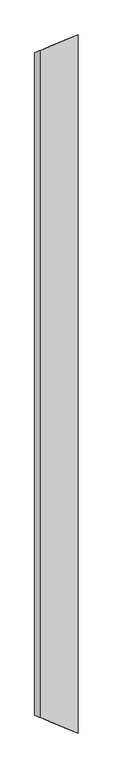
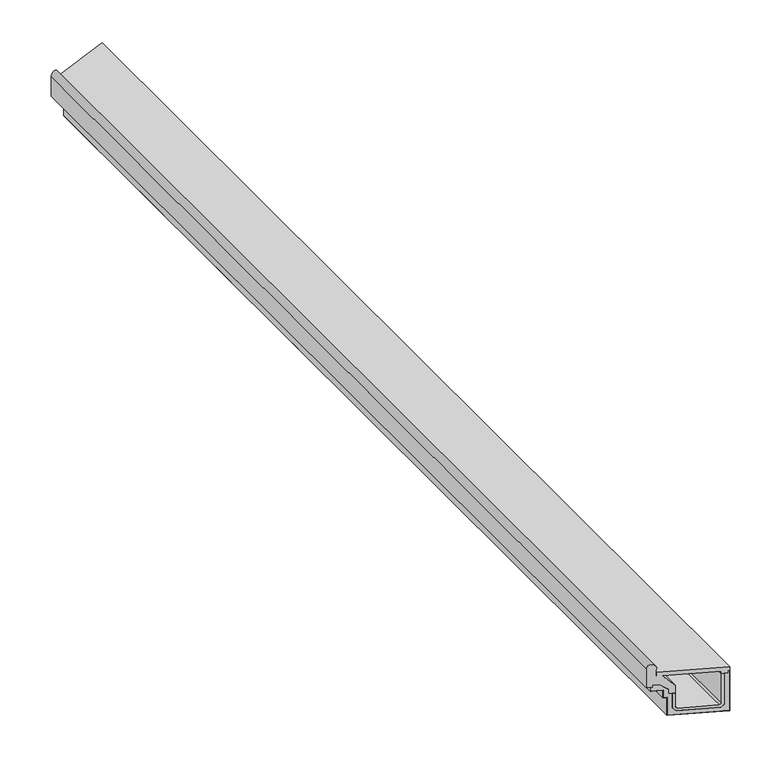
"""IFC4 building model written with IfcOpenShell, lengths in millimetres: proxy geometry."""

from ifc_helpers import new_model, si_unit, frame, origin, place, context, project, spatial, ellipse_curve, faceted_brep, source, transform, mapped, element, save
from ifc_brep_helpers import plane_surface, cylinder_surface, advanced_brep


def generic_models_5bdddf98(model_context):
    return source(origin(), model_context, "Body", "SolidModel", [
        faceted_brep([(100.0, 2491.3903704, 35.6610034), (100.0, -2491.3903704, 35.6610034), (100.0, -2491.3903704, 108.8368406), (100.0, 2491.3903704, 108.8368406), (112.0, -2496.3609332, 108.8368406), (112.0, 2496.3609332, 108.8368406), (112.0, -2496.3609332, 40.6315661), (112.0, 2496.3609332, 40.6315661), (119.6315661, -2499.5220314, 33.0), (119.6315661, 2499.5220314, 33.0), (280.3684339, -2566.101422, 33.0), (280.3684339, 2566.101422, 33.0), (288.0, -2569.2625202, 40.6315661), (288.0, 2569.2625202, 40.6315661), (288.0, -2569.2625202, 189.0), (288.0, 2569.2625202, 189.0), (300.0, -2574.2330829, 189.0), (300.0, 2574.2330829, 189.0), (300.0, -2574.2330829, 35.6610034), (300.0, 2574.2330829, 35.6610034), (285.3389966, -2568.1602965, 21.0), (285.3389966, 2568.1602965, 21.0), (114.6610034, -2497.4631569, 21.0), (114.6610034, 2497.4631569, 21.0)], [[[0, 1, 2, 3]], [[3, 2, 4, 5]], [[5, 4, 6, 7]], [[7, 6, 8, 9]], [[9, 8, 10, 11]], [[11, 10, 12, 13]], [[13, 12, 14, 15]], [[15, 14, 16, 17]], [[17, 16, 18, 19]], [[19, 18, 20, 21]], [[21, 20, 22, 23]], [[1, 0, 23, 22]], [[0, 3, 5, 7, 9, 11, 13, 15, 17, 19, 21, 23]], [[2, 1, 22, 20, 18, 16, 14, 12, 10, 8, 6, 4]]]),
        faceted_brep([(320.0, 2582.5173541, 201.0), (321.0, 2582.9315677, 201.0), (321.0, 2582.9315677, 0.0), (79.0, 2482.6918856, 0.0), (79.0, 2482.6918856, 89.8368406), (64.0, 2476.4786822, 89.8368406), (64.0, 2476.4786822, 127.0), (20.0, 2458.2532854, 127.0), (20.0, 2458.2532854, 128.0), (65.0, 2476.8928957, 128.0), (65.0, 2476.8928957, 90.8368406), (80.0, 2483.1060992, 90.8368406), (80.0, 2483.1060992, 1.0), (320.0, 2582.5173541, 1.0), (321.0, -2582.9315677, 201.0), (320.0, -2582.5173541, 201.0), (320.0, -2582.5173541, 1.0), (80.0, -2483.1060992, 1.0), (80.0, -2483.1060992, 90.8368406), (65.0, -2476.8928957, 90.8368406), (65.0, -2476.8928957, 128.0), (20.0, -2458.2532854, 128.0), (20.0, -2458.2532854, 127.0), (64.0, -2476.4786822, 127.0), (64.0, -2476.4786822, 89.8368406), (79.0, -2482.6918856, 89.8368406), (79.0, -2482.6918856, 0.0), (321.0, -2582.9315677, 0.0)], [[[0, 1, 2, 3, 4, 5, 6, 7, 8, 9, 10, 11, 12, 13]], [[14, 15, 16, 17, 18, 19, 20, 21, 22, 23, 24, 25, 26, 27]], [[14, 1, 0, 15]], [[1, 14, 27, 2]], [[2, 27, 26, 3]], [[3, 26, 25, 4]], [[4, 25, 24, 5]], [[5, 24, 23, 6]], [[6, 23, 22, 7]], [[7, 22, 21, 8]], [[8, 21, 20, 9]], [[9, 20, 19, 10]], [[10, 19, 18, 11]], [[11, 18, 17, 12]], [[12, 17, 16, 13]], [[15, 0, 13, 16]]]),
        faceted_brep([(285.3389966, 2568.1602965, 21.0), (300.0, 2574.2330829, 35.6610034), (300.0, 2574.2330829, 189.0), (315.0, 2580.4462863, 189.0), (315.0, 2580.4462863, 201.0), (320.0, 2582.5173541, 201.0), (320.0, 2582.5173541, 1.0), (80.0, 2483.1060992, 1.0), (80.0, 2483.1060992, 90.8368406), (65.0, 2476.8928957, 90.8368406), (65.0, 2476.8928957, 128.0), (20.0, 2458.2532854, 128.0), (20.0, 2458.2532854, 127.0), (15.0, 2456.1822176, 127.0), (15.0, 2456.1822176, 146.0), (25.5239009, 2460.5413601, 146.0), (25.5239009, 2460.5413601, 156.0), (50.4946801, 2470.8845955, 156.0), (85.0, 2485.177167, 132.3375819), (85.0, 2485.177167, 108.8368406), (100.0, 2491.3903704, 108.8368406), (100.0, 2491.3903704, 35.6610034), (114.6610034, 2497.4631569, 21.0), (300.0, -2574.2330829, 35.6610034), (285.3389966, -2568.1602965, 21.0), (114.6610034, -2497.4631569, 21.0), (100.0, -2491.3903704, 35.6610034), (100.0, -2491.3903704, 108.8368406), (85.0, -2485.177167, 108.8368406), (85.0, -2485.177167, 132.3375819), (50.4946801, -2470.8845955, 156.0), (25.5239009, -2460.5413601, 156.0), (25.5239009, -2460.5413601, 146.0), (15.0, -2456.1822176, 146.0), (15.0, -2456.1822176, 127.0), (20.0, -2458.2532854, 127.0), (20.0, -2458.2532854, 128.0), (65.0, -2476.8928957, 128.0), (65.0, -2476.8928957, 90.8368406), (80.0, -2483.1060992, 90.8368406), (80.0, -2483.1060992, 1.0), (320.0, -2582.5173541, 1.0), (320.0, -2582.5173541, 201.0), (315.0, -2580.4462863, 201.0), (315.0, -2580.4462863, 189.0), (300.0, -2574.2330829, 189.0)], [[[0, 1, 2, 3, 4, 5, 6, 7, 8, 9, 10, 11, 12, 13, 14, 15, 16, 17, 18, 19, 20, 21, 22]], [[23, 24, 25, 26, 27, 28, 29, 30, 31, 32, 33, 34, 35, 36, 37, 38, 39, 40, 41, 42, 43, 44, 45]], [[0, 24, 23, 1]], [[1, 23, 45, 2]], [[2, 45, 44, 3]], [[3, 44, 43, 4]], [[4, 43, 42, 5]], [[5, 42, 41, 6]], [[6, 41, 40, 7]], [[7, 40, 39, 8]], [[8, 39, 38, 9]], [[9, 38, 37, 10]], [[10, 37, 36, 11]], [[13, 34, 33, 14]], [[14, 33, 32, 15]], [[15, 32, 31, 16]], [[16, 31, 30, 17]], [[17, 30, 29, 18]], [[18, 29, 28, 19]], [[19, 28, 27, 20]], [[20, 27, 26, 21]], [[21, 26, 25, 22]], [[11, 36, 35, 12]], [[34, 13, 12, 35]], [[24, 0, 22, 25]]]),
        advanced_brep(
        [(0.0, 2449.9690142, 242.9090321), (19.9086814, 2458.2154601, 261.0), (35.9968134, 2464.8793825, 229.1184171), (35.9968134, 2464.8793825, 201.0), (40.9968134, 2466.9504503, 201.0), (40.9968134, 2466.9504503, 221.0), (321.0, 2582.9315677, 221.0), (321.0, 2582.9315677, 201.0), (315.0, 2580.4462863, 201.0), (315.0, 2580.4462863, 189.0), (288.0, 2569.2625202, 189.0), (288.0, 2569.2625202, 201.0), (60.9968134, 2475.2347215, 201.0), (112.0, 2496.3609332, 148.3590719), (112.0, 2496.3609332, 108.8368406), (85.0, 2485.177167, 108.8368406), (85.0, 2485.177167, 132.3375819), (50.4946801, 2470.8845955, 156.0), (25.5239009, 2460.5413601, 156.0), (25.5239009, 2460.5413601, 146.0), (0.0, 2449.9690142, 146.0), (19.9086814, -2458.2154601, 261.0), (0.0, -2449.9690142, 242.9090321), (0.0, -2449.9690142, 146.0), (25.5239009, -2460.5413601, 146.0), (25.5239009, -2460.5413601, 156.0), (50.4946801, -2470.8845955, 156.0), (85.0, -2485.177167, 132.3375819), (85.0, -2485.177167, 108.8368406), (112.0, -2496.3609332, 108.8368406), (112.0, -2496.3609332, 148.3590719), (60.9968134, -2475.2347215, 201.0), (288.0, -2569.2625202, 201.0), (288.0, -2569.2625202, 189.0), (315.0, -2580.4462863, 189.0), (315.0, -2580.4462863, 201.0), (321.0, -2582.9315677, 201.0), (321.0, -2582.9315677, 221.0), (40.9968134, -2466.9504503, 221.0), (40.9968134, -2466.9504503, 201.0), (35.9968134, -2464.8793825, 201.0), (35.9968134, -2464.8793825, 229.1184171)],
        [
            (0, 1, ellipse_curve(frame((19.9086814, 2458.2154601, 241.0), z_axis=(-0.3826834323650891, 0.9238795325112871, 0.0), x_axis=(0.9238795325112873, 0.38268343236508884, 0.0)), 21.647844, 20.0)),
            (1, 2, ellipse_curve(frame((19.9086814, 2458.2154601, 241.0), z_axis=(-0.3826834323650891, 0.9238795325112871, 0.0), x_axis=(0.9238795325112873, 0.38268343236508884, 0.0)), 21.647844, 20.0)),
            (2, 3),
            (3, 4),
            (4, 5),
            (5, 6),
            (6, 7),
            (7, 8),
            (8, 9),
            (9, 10),
            (10, 11),
            (11, 12),
            (12, 13),
            (13, 14),
            (14, 15),
            (15, 16),
            (16, 17),
            (17, 18),
            (18, 19),
            (19, 20),
            (20, 0),
            (21, 22, ellipse_curve(frame((19.9086814, -2458.2154601, 241.0), z_axis=(-0.3826834323650891, -0.9238795325112871, 0.0), x_axis=(-0.9238795325112873, 0.38268343236508884, 0.0)), 21.647844, 20.0)),
            (22, 23),
            (23, 24),
            (24, 25),
            (25, 26),
            (26, 27),
            (27, 28),
            (28, 29),
            (29, 30),
            (30, 31),
            (31, 32),
            (32, 33),
            (33, 34),
            (34, 35),
            (35, 36),
            (36, 37),
            (37, 38),
            (38, 39),
            (39, 40),
            (40, 41),
            (41, 21, ellipse_curve(frame((19.9086814, -2458.2154601, 241.0), z_axis=(-0.3826834323650891, -0.9238795325112871, 0.0), x_axis=(-0.9238795325112873, 0.38268343236508884, 0.0)), 21.647844, 20.0)),
            (0, 22),
            (41, 2),
            (40, 3),
            (37, 6),
            (5, 38),
            (7, 36),
            (35, 8),
            (34, 9),
            (33, 10),
            (28, 15),
            (14, 29),
            (27, 16),
            (26, 17),
            (25, 18),
            (24, 19),
            (23, 20),
            (39, 4),
            (13, 30),
            (32, 11),
            (31, 12),
        ],
        [
            plane_surface(frame((0.0, 2449.9690142, 261.0), z_axis=(-0.3826834323650891, 0.9238795325112871, 0.0), x_axis=(0.0, 0.0, -1.0))),
            plane_surface(frame((321.0, -2582.9315677, 261.0), z_axis=(-0.3826834323650891, -0.9238795325112871, 0.0), x_axis=(0.0, 0.0, -1.0))),
            cylinder_surface(frame((19.9086814, 2582.9315677, 241.0), z_axis=(0.0, 1.0, 0.0), x_axis=(1.0, 0.0, 0.0)), 20.0),
            plane_surface(frame((35.9968134, 2582.9315677, 229.1184171), z_axis=(1.0, 0.0, 0.0), x_axis=(0.0, -1.0, 0.0))),
            plane_surface(frame((35.9968134, 2582.9315677, 221.0), z_axis=(0.0, 0.0, 1.0), x_axis=(0.0, -1.0, 0.0))),
            plane_surface(frame((321.0, 2582.9315677, 201.0), z_axis=(0.0, 0.0, -1.0), x_axis=(0.0, -1.0, 0.0))),
            plane_surface(frame((315.0, 2582.9315677, 201.0), z_axis=(1.0, 0.0, 0.0), x_axis=(0.0, -1.0, 0.0))),
            plane_surface(frame((315.0, 2582.9315677, 189.0), z_axis=(0.0, 0.0, -1.0), x_axis=(0.0, -1.0, 0.0))),
            plane_surface(frame((100.0, 2582.9315677, 108.8368406), z_axis=(0.0, 0.0, -1.0), x_axis=(0.0, -1.0, 0.0))),
            plane_surface(frame((85.0, 2582.9315677, 108.8368406), z_axis=(-1.0, 0.0, 0.0), x_axis=(0.0, -1.0, 0.0))),
            plane_surface(frame((85.0, 2582.9315677, 132.3375819), z_axis=(-0.5655548098949021, 0.0, -0.8247107111010146), x_axis=(0.0, -1.0, 0.0))),
            plane_surface(frame((50.4946801, 2582.9315677, 156.0), z_axis=(0.0, 0.0, -1.0), x_axis=(0.0, -1.0, 0.0))),
            plane_surface(frame((25.5239009, 2582.9315677, 156.0), z_axis=(1.0, 0.0, 0.0), x_axis=(0.0, -1.0, 0.0))),
            plane_surface(frame((25.5239009, 2582.9315677, 146.0), z_axis=(0.0, 0.0, -1.0), x_axis=(0.0, -1.0, 0.0))),
            plane_surface(frame((0.0, 2582.9315677, 146.0), z_axis=(-1.0, 0.0, 0.0), x_axis=(0.0, -1.0, 0.0))),
            plane_surface(frame((321.0, 2582.9315677, 221.0), z_axis=(1.0, 0.0, 0.0), x_axis=(0.0, -1.0, 0.0))),
            plane_surface(frame((35.9968134, -2582.9315677, 201.0), z_axis=(0.0, 0.0, 1.0), x_axis=(0.0, 1.0, 0.0))),
            plane_surface(frame((40.9968134, -2582.9315677, 201.0), z_axis=(-1.0, 0.0, 0.0), x_axis=(0.0, 1.0, 0.0))),
            plane_surface(frame((112.0, -2582.9315677, 148.3590719), z_axis=(1.0, 0.0, 0.0), x_axis=(0.0, 1.0, 0.0))),
            plane_surface(frame((288.0, -2582.9315677, 189.0), z_axis=(-1.0, 0.0, 0.0), x_axis=(0.0, 1.0, 0.0))),
            plane_surface(frame((288.0, -2582.9315677, 201.0), z_axis=(0.0, 0.0, -1.0), x_axis=(0.0, 1.0, 0.0))),
            plane_surface(frame((60.9968134, -2582.9315677, 201.0), z_axis=(0.7181905333295423, 0.0, 0.6958465045078746), x_axis=(0.0, 1.0, 0.0))),
        ],
        [
            (0, [[1, 2, 3, 4, 5, 6, 7, 8, 9, 10, 11, 12, 13, 14, 15, 16, 17, 18, 19, 20, 21]]),
            (1, [[22, 23, 24, 25, 26, 27, 28, 29, 30, 31, 32, 33, 34, 35, 36, 37, 38, 39, 40, 41, 42]]),
            (2, [[43, -22, -42, 44, -2, -1]]),
            (3, [[-44, -41, 45, -3]]),
            (4, [[46, -6, 47, -38]]),
            (5, [[48, -36, 49, -8]]),
            (6, [[-49, -35, 50, -9]]),
            (7, [[-50, -34, 51, -10]]),
            (8, [[52, -15, 53, -29]]),
            (9, [[-52, -28, 54, -16]]),
            (10, [[-54, -27, 55, -17]]),
            (11, [[-55, -26, 56, -18]]),
            (12, [[-56, -25, 57, -19]]),
            (13, [[-57, -24, 58, -20]]),
            (14, [[-43, -21, -58, -23]]),
            (15, [[-46, -37, -48, -7]]),
            (16, [[-45, -40, 59, -4]]),
            (17, [[-59, -39, -47, -5]]),
            (18, [[60, -30, -53, -14]]),
            (19, [[-51, -33, 61, -11]]),
            (20, [[-61, -32, 62, -12]]),
            (21, [[-60, -13, -62, -31]]),
        ],
    ),
    ])


if __name__ == "__main__":
    model = new_model("IFC4")
    model_context = context("Model", 3, world=origin())
    ifc_project = project(units=[si_unit("LENGTHUNIT", "METRE", prefix="MILLI")], contexts=[model_context])
    site = spatial("IfcSite", under=ifc_project)
    building = spatial("IfcBuilding", under=site)
    placement = place(None, origin())
    generic_models_shape = generic_models_5bdddf98(model_context)
    element("IfcBuildingElementProxy", 1, Name="Generic Models", at=placement, inside=building, context=model_context, shape_type="MappedRepresentation", body=[
        mapped(generic_models_shape, transform((0.0, 0.0, 0.0), x_axis=(1.0, 0.0, 0.0), y_axis=(0.0, 1.0, 0.0), z_axis=(0.0, 0.0, 1.0))),
    ])
    save(model, "model.ifc")
